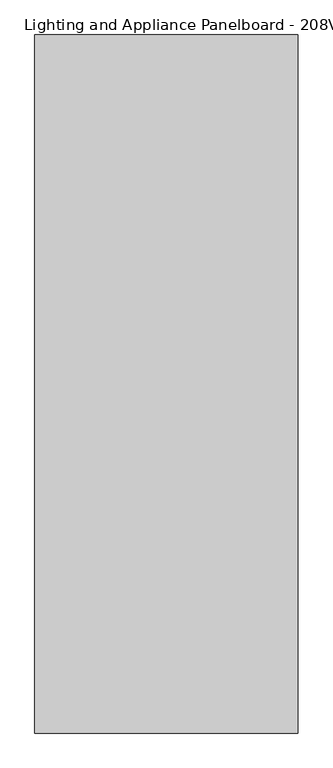
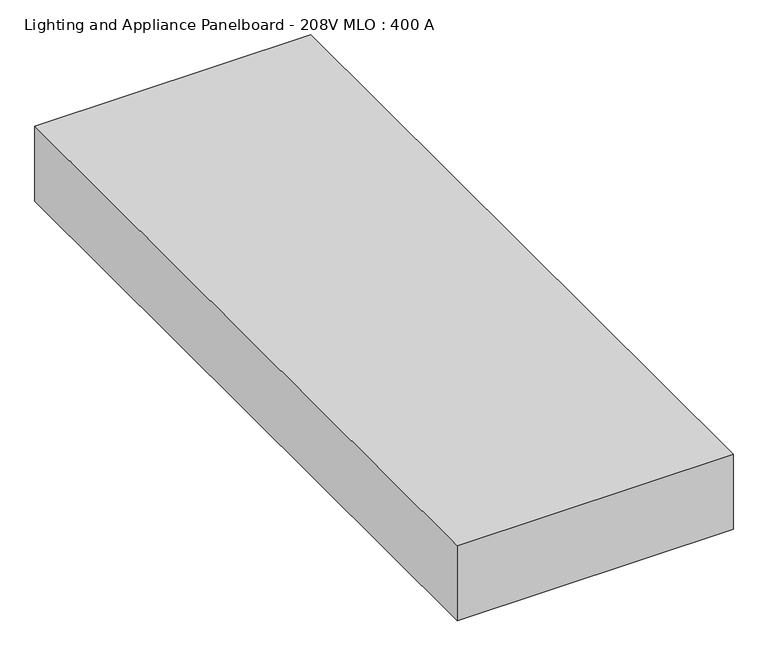
"""IFC4 building model written with IfcOpenShell, lengths in millimetres: proxy geometry, Lighting and Appliance Panelboard - 208V MLO : 400 A."""

from ifc_helpers import new_model, si_unit, frame, origin, place, context, project, spatial, polyline, outline, extrude, source, transform, mapped, element, save


def lighting_and_appliance_panelboard_208v_mlo_400_a_bd3ac378(model_context):
    return source(origin(), model_context, "Body", "SweptSolid", [
        extrude(outline(polyline([(254.0, 673.1), (254.0, -673.1), (-254.0, -673.1), (-254.0, 673.1), (254.0, 673.1)])), frame((0.0, 0.0, -146.05), z_axis=(0.0, 0.0, 1.0), x_axis=(1.0, 0.0, 0.0)), (0.0, 0.0, 1.0), 146.05),
    ])


if __name__ == "__main__":
    model = new_model("IFC4")
    model_context = context("Model", 3, world=origin())
    ifc_project = project(units=[si_unit("LENGTHUNIT", "METRE", prefix="MILLI")], contexts=[model_context])
    site = spatial("IfcSite", under=ifc_project)
    building = spatial("IfcBuilding", under=site)
    placement = place(None, origin())
    lighting_and_appliance_panelboard_208v_mlo_400_a_shape = lighting_and_appliance_panelboard_208v_mlo_400_a_bd3ac378(model_context)
    element("IfcBuildingElementProxy", 1, Name="Lighting and Appliance Panelboard - 208V MLO : 400 A", ObjectType="Lighting and Appliance Panelboard - 208V MLO : 400 A", at=placement, inside=building, context=model_context, shape_type="MappedRepresentation", body=[
        mapped(lighting_and_appliance_panelboard_208v_mlo_400_a_shape, transform((0.0, 0.0, 0.0), x_axis=(1.0, 0.0, 0.0), y_axis=(0.0, 1.0, 0.0), z_axis=(0.0, 0.0, 1.0))),
    ])
    save(model, "model.ifc")
